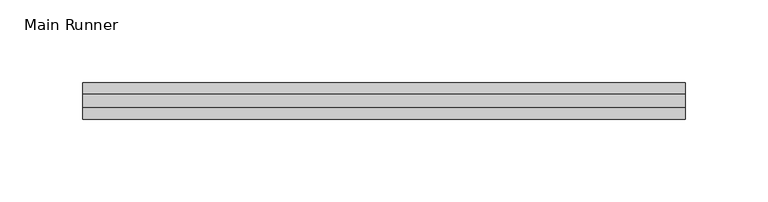
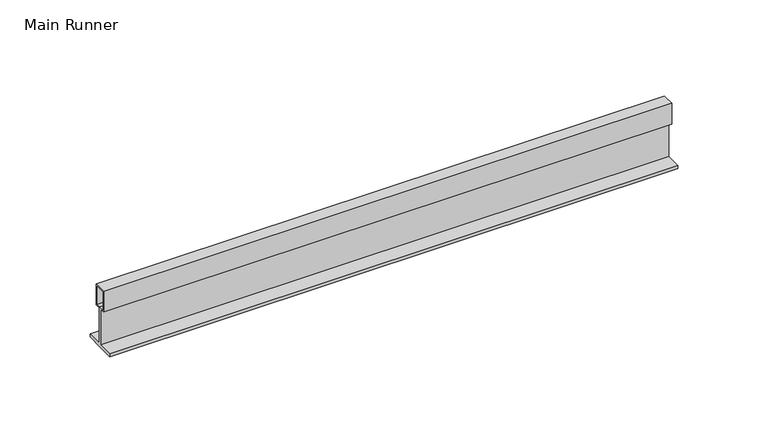
"""IFC4 building model written with IfcOpenShell, lengths in millimetres: beam geometry, Main Runner."""

from ifc_helpers import new_model, si_unit, frame, origin, place, context, project, spatial, polyline, outline, extrude, source, transform, mapped, element, save


def main_runner_d38ca1b6(model_context):
    return source(origin(), model_context, "Body", "SweptSolid", [
        extrude(outline(polyline([(11.0, -2.0), (0.0, -2.0), (-11.0, -2.0), (-11.0, 0.0), (-1.0, 0.0), (-1.0, 24.0), (-4.0, 24.0), (-4.0, 38.1243468), (4.0, 38.1243468), (4.0, 24.0), (1.0, 24.0), (1.0, 0.0), (11.0, 0.0), (11.0, -2.0)]), holes=[polyline([(3.0, 37.1243468), (-3.0169966, 37.1243468), (-3.0169966, 25.0), (0.0, 25.0), (3.0, 25.0), (3.0, 37.1243468)])]), frame((-630.9999994, 0.0, 0.0), z_axis=(1.0, 0.0, 0.0), x_axis=(0.0, 1.0, 0.0)), (0.0, 0.0, 1.0), 364.4666767),
    ])


if __name__ == "__main__":
    model = new_model("IFC4")
    model_context = context("Model", 3, world=origin())
    ifc_project = project(units=[si_unit("LENGTHUNIT", "METRE", prefix="MILLI")], contexts=[model_context])
    site = spatial("IfcSite", under=ifc_project)
    building = spatial("IfcBuilding", under=site)
    placement = place(None, origin())
    main_runner_shape = main_runner_d38ca1b6(model_context)
    element("IfcBeam", 1, ObjectType="Main Runner", at=placement, inside=building, context=model_context, shape_type="MappedRepresentation", body=[
        mapped(main_runner_shape, transform((0.0, 0.0, 0.0), x_axis=(1.0, 0.0, 0.0), y_axis=(0.0, 1.0, 0.0), z_axis=(0.0, 0.0, 1.0))),
    ])
    save(model, "model.ifc")
